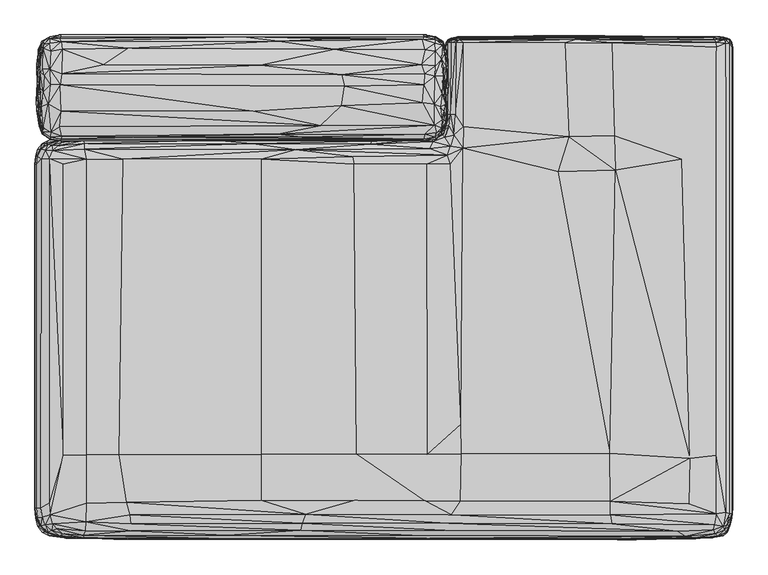
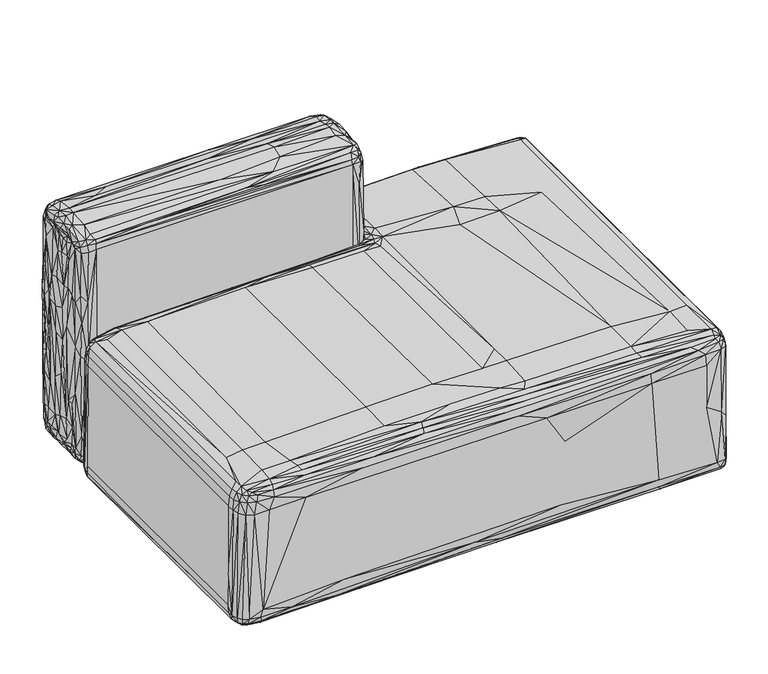
"""IFC4 building model written with IfcOpenShell, lengths in millimetres: furniture geometry."""

from ifc_helpers import new_model, si_unit, origin, place, context, project, spatial, triangles, source, transform, mapped, element, save


def furniture_d46eb888(model_context):
    return source(origin(), model_context, "Body", "Tessellation", [
        triangles([(55.6545017, -775.5081871, 2.74e-05), (155.654289, -775.5081871, 2.74e-05), (155.654289, -875.5081879, 3.7e-05), (155.654289, -875.5081879, 10.000038), (155.654289, -775.5081871, 10.0000289), (55.6545017, -775.5081871, 10.0000289), (55.6545017, -875.5081879, 10.000038), (55.6545017, -875.5081879, 3.7e-05), (55.7830095, -35.4992798, -3.7e-05), (155.7827332, -35.4992798, -3.7e-05), (155.7827332, -135.4992783, -2.74e-05), (155.7827332, -135.4992783, 9.9999733), (155.7827332, -35.4992798, 9.9999642), (55.7830095, -35.4992798, 9.9999642), (55.7830095, -135.4992783, -2.74e-05), (55.7830095, -135.4992783, 9.9999733), (1283.9502628, -135.4992783, -2.17e-05), (1183.9505527, -135.4992783, -2.17e-05), (1183.9505527, -35.4992798, -3.7e-05), (1183.9505527, -35.4992798, 9.9999631), (1183.9505527, -135.4992783, 9.999979), (1283.9502628, -135.4992783, 9.999979), (1283.9502628, -876.0717436, 3.93e-05), (1183.9505527, -876.0717436, 3.93e-05), (1183.9505527, -776.0717428, 2.41e-05), (1183.9505527, -776.0717428, 10.0000244), (1183.9505527, -876.0717436, 10.0000391), (1283.9502628, -876.0717436, 10.0000391), (1283.9502628, -776.0717428, 2.41e-05), (1283.9502628, -776.0717428, 10.0000244), (1283.9502628, -35.4992798, -3.7e-05), (1283.9502628, -35.4992798, 9.9999631)], [[1, 2, 3], [4, 5, 6], [6, 7, 4], [3, 8, 1], [9, 10, 11], [12, 13, 14], [11, 15, 9], [14, 16, 12], [17, 18, 19], [20, 21, 22], [23, 24, 25], [26, 27, 28], [25, 29, 23], [28, 30, 26], [19, 31, 17], [22, 32, 20], [7, 6, 1], [2, 1, 6], [15, 11, 12], [13, 12, 11], [5, 4, 3], [8, 3, 4], [16, 14, 9], [10, 9, 14], [27, 26, 25], [29, 25, 26], [18, 17, 22], [32, 22, 17], [21, 20, 19], [31, 19, 20], [30, 28, 23], [24, 23, 28], [6, 5, 2], [3, 2, 5], [1, 8, 7], [4, 7, 8], [14, 13, 10], [11, 10, 13], [9, 15, 16], [12, 16, 15], [26, 30, 29], [23, 29, 30], [19, 18, 21], [22, 21, 18], [28, 27, 24], [25, 24, 27], [20, 32, 31], [17, 31, 32]]),
        triangles([(166.64368, -235.2945587, 404.5875137), (159.8866433, -793.9164385, 404.731582), (428.3091399, -794.2048656, 410.0485176), (58.4040659, -896.4719519, 9.4881682), (119.468489, -244.5284609, 9.6935535), (483.8524429, -896.2827192, 11.676849), (1320.3105434, -20.6981961, 44.8885709), (1320.9102161, -22.8630644, 342.1680679), (1320.9110882, -895.9448038, 67.2231815), (860.3990084, -953.8596554, 77.7773656), (871.2264725, -953.8679398, 253.0003457), (296.2096995, -953.9985277, 245.7828356), (533.9795431, -196.0426668, 53.0891423), (242.0416214, -194.7885827, 47.2879294), (539.9601737, -195.8521079, 363.4527426), (478.7861097, -245.3046671, 11.6570215), (1320.9137043, -896.1479164, 341.7325931), (428.4176725, -235.4785227, 409.8327241), (809.902018, -214.1620913, 407.427711), (806.6652969, -736.5256102, 407.5969957), (989.811894, -259.3100804, 406.8446797), (1289.126255, -3.6859266, 364.0281072), (1293.1408356, -3.4833604, 48.9942342), (1038.1311831, -1.8490307, 59.4680907), (48.8914016, -0.0005417, 629.4656479), (737.4612362, -0.0034623, 452.0541295), (737.6844057, -0.0284665, 37.3742085), (736.9209349, -200.3082131, 629.0927055), (50.3813407, -200.3648048, 37.6771674), (737.8252401, -200.3786121, 37.4879416), (51.307238, -200.3560844, 235.3796189), (50.1804717, -0.0036113, 432.2646034), (1023.8933167, -262.02167, 9.8229378), (761.3198816, -896.0485039, 11.3645532), (822.7545038, -221.4497097, 11.11029), (1025.9725502, -193.4257843, 7.2644497), (811.8882339, -189.9030524, 11.8968381), (814.3303087, -15.0213885, 12.4018786), (182.7498735, -194.5857244, 341.431594), (0.058509, -244.6367392, 57.784904), (0.7754336, -896.05112, 151.4831682), (0.9478102, -245.1945539, 341.8079155), (0.8927356, -896.1096193, 340.5963979), (281.4492996, -954.1291883, 69.7362094), (778.1893461, -89.2612758, 58.4140489), (778.2136906, -87.4414287, 362.5590108), (778.2049702, -22.6108791, 362.3691605), (1003.2641253, -15.2168321, 409.3750485), (810.8492712, -15.167957, 406.214522), (811.0472242, -173.4201741, 406.8529278), (1011.680036, -1.8950753, 363.3633585), (778.5526234, -14.8413236, 74.8203513), (540.5614451, -171.6980408, 660.6582933), (413.118243, -144.5558749, 666.54478), (49.6488, -144.0660792, 665.0941418), (780.3865957, -90.6875968, 477.2374397), (777.0992237, -94.1978022, 573.7483003), (776.1960812, -113.110347, 581.9501616), (47.3776813, -174.0209913, 658.3221714), (8.1449522, -172.5944069, 351.147171), (3.2683382, -142.2151747, 390.2121557), (5.5862438, -144.8460279, 182.0126365), (292.9913458, -27.8292061, 8.4122454), (575.0901878, -27.558331, 9.0811556), (179.8461082, -172.6538691, 10.5481729), (11.5307347, -43.9286004, 100.6354362), (7.1512827, -81.089518, 103.1456754), (5.7735217, -60.8666018, 184.3677435), (778.1648563, -33.5903211, 235.0796554), (781.093166, -59.2585241, 210.5471957), (780.4573763, -51.2907555, 102.1867132), (737.0808815, -144.1120611, 11.6451967), (502.6730238, -938.0542974, 395.7855437), (364.1410363, -947.6617052, 384.681534), (713.6424866, -947.4572119, 385.7585032), (1098.6556137, -256.3361886, 405.7310122), (1088.1138153, -792.2649405, 406.1092595), (1239.4330673, -802.2848957, 401.262317), (13.7673987, -12.3711278, 345.6280312), (14.2395866, -12.5389149, 214.2609043), (6.530739, -27.8292947, 259.1362538), (426.5216763, -56.9599317, 666.144441), (129.93095, -56.2493873, 666.2176924), (50.2928286, -73.4955911, 669.0729687), (780.2310093, -151.8091022, 190.6201962), (778.2830904, -173.2471105, 212.526944), (774.7647005, -169.948293, 76.0021423), (771.2747246, -120.9758643, 23.5122572), (757.645542, -141.4128073, 15.2597335), (756.8024975, -93.9654854, 14.2686558), (767.8566919, -135.8677515, 655.6689903), (770.3563213, -112.6113404, 657.9346224), (756.6538874, -131.521923, 664.5500616), (567.6451481, -26.7907725, 657.3943211), (176.531285, -25.0899543, 656.9892586), (10.4082003, -132.2550632, 582.9652885), (6.5362227, -113.110347, 584.0265973), (6.8428883, -121.6025793, 494.9071461), (6.0912144, -67.2589169, 492.8518936), (10.463811, -63.8833871, 621.6550055), (9.8024971, -36.6334675, 582.3735732), (620.6433666, -913.8999578, 13.0747856), (485.4341051, -929.8760902, 15.7988767), (61.3267209, -930.0054428, 12.6502612), (1310.5310532, -16.4562811, 13.1697993), (1310.5218967, -906.9585937, 13.2189345), (1303.7518158, -897.5930317, 10.304205), (8.7373624, -216.9285285, 339.9074138), (20.6253899, -206.0549735, 336.8585446), (13.7830749, -205.5703556, 41.6303623), (53.4206401, -244.851697, 398.6103713), (53.7257541, -796.2792303, 398.7036432), (97.0117838, -234.7965331, 404.3603837), (11.5112432, -235.6056407, 384.4409237), (11.3830931, -895.5486071, 384.4114923), (27.0832556, -885.9911236, 394.0873189), (182.6837801, -925.6434271, 397.4153134), (181.4699008, -939.2304611, 391.9081641), (635.9021009, -207.1435153, 399.1091417), (411.8270791, -205.6329244, 398.0125154), (493.3334049, -216.9811598, 406.2427543), (786.7162239, -150.3319576, 396.8008524), (796.3909241, -150.1453593, 403.3888587), (796.9386377, -15.199875, 402.6466438), (534.4964447, -230.4779922, 12.8930516), (63.7287863, -215.2263069, 12.8277292), (620.271805, -217.5208616, 16.1929013), (796.7379959, -148.7831877, 15.6229699), (786.9916431, -149.6958863, 22.3715315), (788.0245016, -15.1134784, 22.905674), (1294.8167507, -948.9026905, 185.9966957), (1308.9045536, -941.7446972, 167.9726323), (1308.6952641, -942.2676304, 364.448503), (1216.1993111, -940.3646942, 391.2499194), (776.3936708, -938.4594326, 394.2023555), (1021.7543484, -5.0818675, 398.303486), (1024.3433619, -8.4794811, 405.5340766), (1286.1704762, -8.835619, 395.813122), (1289.7458393, -23.5106402, 399.0042063), (1224.4252625, -234.8464756, 402.1136822), (21.0445889, -942.098382, 334.5409172), (13.5571133, -941.7516735, 41.9637903), (26.7991795, -948.7519003, 41.8035621), (4.3301355, -906.956341, 23.28034), (4.2798291, -236.1162563, 23.2819978), (11.9440327, -907.5984529, 15.5799697), (11.9209657, -235.412066, 15.5774853), (26.7962591, -199.5280827, 41.7926843), (776.7469923, -82.470057, 102.3852204), (778.2011913, -63.3255497, 101.8297855), (781.8471897, -145.9696421, 375.3354838), (781.4485949, -134.9220697, 499.7107773), (778.5000103, -170.5290533, 509.7036993), (16.5576705, -188.1709816, 105.5656857), (28.6024579, -197.3107216, 44.0292393), (29.7059198, -197.278547, 313.0237713), (16.6982779, -77.31741, 23.6542702), (28.369403, -61.6819318, 14.1889186), (27.8789169, -93.9657851, 16.0701253), (759.2364332, -3.0564719, 199.0426653), (771.3725384, -12.3337857, 329.1054932), (770.7779526, -12.2216695, 49.8494055), (770.1471045, -46.2755593, 652.7010029), (758.6481697, -30.9211368, 659.2450075), (757.9777891, -58.3101854, 663.7769983), (325.7166012, -941.8681635, 19.9742146), (691.9124176, -941.6643242, 22.987271), (703.4057568, -948.9446211, 34.3573664), (1303.5215973, -948.5011889, 48.6052), (773.424012, -187.920797, 419.2563495), (756.5849962, -197.2600525, 564.2468453), (759.2475517, -197.3216403, 313.5882354), (756.784548, -170.5916948, 659.5510208), (770.6892952, -160.164933, 653.0410257), (771.2708004, -40.1961838, 22.2112692), (769.4485279, -64.4933654, 22.9335429), (757.1324919, -60.3762021, 15.9304343), (756.7235779, -3.1046323, 40.6294377), (28.949775, -3.0661873, 394.7021796), (14.9370209, -64.4933654, 23.9015071), (1283.8146606, -217.0867129, 9.5037957), (1303.8821857, -15.3709107, 10.6942419), (1032.6300653, -15.0912164, 7.4786065), (8.9368591, -929.8694773, 336.7551716), (5.7591569, -930.3873236, 41.1523573), (19.7351939, -927.6171438, 383.6718573), (12.2730506, -929.8903336, 367.6783204), (25.3929268, -941.5458721, 368.0947557), (765.6553728, -182.3296593, 57.7228984), (753.0715479, -190.1149036, 58.0901497), (752.9310768, -190.1724946, 362.8511078), (793.0162027, -189.8973297, 14.3084948), (775.8666681, -193.4759993, 19.1001218), (783.4121378, -173.17395, 21.4387168), (783.4120651, -173.1737683, 398.019855), (775.8667408, -193.4758903, 400.5879759), (793.0303007, -189.8197908, 404.855993), (773.1101503, -169.5296049, 362.300233), (776.9608601, -152.0292287, 362.6711406), (776.9203102, -152.0102709, 57.9777247), (637.7108568, -200.9922738, 387.8171711), (340.3765348, -198.9597852, 385.6373623), (33.9979907, -218.892671, 392.1039734), (27.4854067, -234.2478202, 394.2096951), (16.1483659, -938.3313881, 25.5137997), (265.0161093, -949.4525843, 28.1915023), (1314.4188972, -907.0053932, 384.2685505), (1314.4686035, -16.3730729, 384.2316341), (1307.5489677, -16.0865533, 393.5814995), (1282.9943619, -5.4675987, 389.2371426), (11.0618248, -45.8580884, 640.1935541), (9.7863451, -70.3672119, 643.3303539), (15.1889098, -64.4935425, 656.1151114), (15.4214277, -12.5367688, 621.9172714), (27.7516014, -3.1017118, 627.554936), (757.0577145, -77.9267478, 666.1985075), (772.2789511, -77.3175917, 656.5147236), (777.1295998, -40.1962474, 577.7121935), (779.5440599, -63.3052338, 579.0570605), (782.438796, -56.4249216, 478.9634972), (13.672687, -188.1203669, 331.234542), (15.5815253, -176.0298077, 648.9597342), (30.2709107, -184.2515624, 653.4913616), (25.2477889, -130.5554667, 663.9579466), (512.4461191, -907.6327532, 406.0939988), (427.9870302, -881.1471605, 408.0601942), (173.5682573, -885.3676151, 403.1488661), (1089.713645, -883.1896231, 404.3165274), (1089.2145475, -908.7477287, 401.6667618), (1290.2078751, -906.5841253, 397.8371264), (16.2042151, -160.1652055, 24.2164293), (16.8947355, -126.2220557, 23.7499357), (29.3245682, -132.2520474, 14.0177581), (5.0168404, -113.7611702, 240.2711626), (9.819067, -101.2033339, 111.7785424), (5.7248243, -134.8992423, 124.9964492), (12.7261048, -149.7313766, 630.0411942), (12.7924457, -130.7266772, 636.0185183), (8.6367497, -132.2550632, 622.7482527), (15.7631412, -107.3867229, 658.341865), (17.7680618, -77.3175917, 657.7392855), (284.512521, -205.1491058, 19.6074832), (629.2602825, -207.1914775, 22.8562584), (16.1483659, -208.6800676, 25.5137429), (26.7910132, -209.2401897, 18.5501793), (15.8014065, -218.7662797, 17.9370104), (1285.8161373, -927.4869919, 394.8085321), (1318.9148438, -905.6373808, 368.3433598), (1319.0237034, -22.8430983, 368.377333), (770.7154564, -160.165042, 24.6590531), (772.2080978, -187.9988627, 115.9249735), (771.4332905, -187.7594151, 325.8001353), (3.5247576, -244.8520967, 367.9898566), (3.5173666, -895.9103582, 367.9069765), (19.7351939, -217.9406761, 383.6964924), (12.2730506, -216.701889, 368.4348876), (1301.2614155, -929.3509769, 14.2890704), (1310.5439884, -928.6845932, 18.2543454), (1307.7707565, -938.3313154, 22.2217654), (1319.1953499, -914.8932838, 48.4490413), (1314.9415398, -929.3631128, 175.8657733), (1315.7555889, -929.9117712, 46.3419887), (4.8606766, -93.9658396, 502.1894777), (5.5497061, -87.3737457, 415.366725), (4.8829687, -86.9178414, 215.7870466), (1318.7006126, -14.006769, 362.4656662), (1319.1901176, -13.5817575, 48.2527369), (1315.6096676, -8.5110119, 45.2158765), (1314.7217857, -16.2698679, 18.7538153), (1314.7062344, -907.2338676, 18.7798346), (769.2404011, -175.6233644, 647.5152729), (780.0680105, -132.2548543, 581.7613286), (775.4025249, -159.1122901, 615.8358839), (801.6626953, -3.4861318, 57.2487131), (787.6086113, -5.84588, 57.6327149), (787.6958153, -5.8208759, 362.7317837), (782.3550076, -15.0533076, 34.0581773), (634.3612066, -197.2265335, 363.5483399), (725.0763817, -194.0467675, 363.184227), (724.7010412, -194.003111, 58.4350733), (747.214856, -214.9157699, 405.3350698), (753.8769493, -202.1982685, 398.6598232), (95.1360262, -938.7888456, 393.643814), (96.228574, -921.9868916, 399.6447195), (33.3387036, -925.430068, 391.1876412), (97.1820132, -795.615172, 404.527343), (802.0269899, -3.4550183, 362.774877), (787.7486464, -15.0397172, 396.111941), (782.1710798, -14.9760594, 385.0746786), (780.8906347, -149.9186289, 385.3413411), (754.9198362, -194.298896, 33.5057628), (634.1250292, -200.8886101, 33.4472112), (333.9627912, -6.710445, 17.2602905), (49.9987968, -2.8778664, 23.838341), (737.8524187, -2.999311, 24.7836912), (15.4604083, -23.3796594, 26.5335344), (28.9454829, -6.564384, 24.858623), (27.066923, -17.432784, 17.7926458), (1140.9997587, -895.7475775, 8.3460283), (1137.330942, -930.660272, 13.5753614), (745.1561153, -929.6471071, 16.0080322), (781.7280109, -88.4655031, 226.2929642), (779.9380766, -152.5849269, 108.0825198), (776.7693747, -132.2546453, 101.8219099), (17.7746781, -17.904704, 641.7283442), (49.9939097, -12.7585883, 654.8672224), (460.8395308, -11.9389345, 654.4246622), (392.6512147, -3.0239575, 642.6592466), (742.0151007, -794.2407646, 409.6863304), (741.1209692, -244.9482935, 409.574782), (604.2414608, -244.8428131, 410.9529319), (561.7320279, -9.5974259, 16.8767156), (755.8785713, -15.8447383, 17.7291913), (758.1838812, -9.9245657, 21.2057278), (769.9197201, -21.4178923, 26.1298368), (769.866235, -12.0216658, 618.8451479), (772.3096178, -12.3709189, 501.7395779), (758.7376991, -3.0749193, 396.9290786), (782.0055376, -55.6544109, 342.389675), (780.6836706, -37.945306, 295.6053577), (777.9194498, -29.212779, 420.0302485), (1310.7234833, -927.8402407, 383.6257482), (1319.0793686, -915.0246712, 339.0769775), (28.2732606, -169.4401845, 13.9621224), (29.0058036, -189.6763221, 20.9760112), (14.3548617, -175.623419, 27.9277943), (423.6618218, -196.7147733, 23.5640822), (47.5475565, -193.3169247, 19.85316), (53.9064162, -187.7613772, 14.6050837), (15.8242351, -188.0227348, 622.142621), (14.9321327, -187.9903421, 502.0239718), (27.5796415, -197.2282594, 486.475357), (8.1398857, -159.7013894, 486.4002889), (773.3887671, -55.6545608, 37.639429), (777.4936037, -28.8370593, 107.2901172), (18.2005538, -15.4628802, 35.2264427), (9.381927, -44.2543981, 60.0613003), (8.1782112, -63.3257858, 61.6248904), (586.123635, -96.8159291, 668.8886776), (48.191944, -94.479898, 669.8490841), (735.4009695, -98.143646, 14.0078137), (736.6300369, -172.5424842, 12.4269929), (502.2070275, -188.1678204, 15.4988814), (47.2557911, -948.5216091, 367.5652096), (53.0215865, -944.3292051, 382.533373), (32.2228447, -938.1528379, 383.3966197), (61.6914425, -953.0865921, 59.9644766), (78.3683996, -953.1408039, 336.3113033), (40.9803747, -949.4325274, 333.1309015), (13.3450396, -135.8679059, 657.2068325), (28.710282, -93.9659032, 667.4450884), (805.6548208, -883.5283379, 405.8862353), (788.9684847, -908.3707895, 403.6490172), (770.159749, -188.2118402, 622.6600313), (1143.6887661, -15.1774938, 7.0678718), (1045.7060841, -8.1678682, 11.1602676), (1040.597893, -4.1599029, 21.7997754), (1305.5646412, -6.1250979, 21.0283154), (735.821438, -197.4331524, 641.5771179), (738.5261421, -188.1052697, 654.6649818), (505.2847466, -193.2196741, 649.824507), (759.9039797, -184.8983615, 652.4737638), (757.2756517, -193.9995139, 641.3615061), (769.5589863, -181.4883408, 642.082247), (747.1833899, -952.9171257, 368.7837035), (1252.4813988, -953.1364437, 216.6433897), (1280.1616859, -952.2732697, 49.8625269), (40.8666507, -199.4088312, 335.7884428), (81.6713957, -196.4296163, 362.5176979), (61.3919876, -195.7449924, 59.9654486), (44.3908951, -210.0460271, 389.0618626), (93.5907717, -206.3067932, 394.9136493), (91.9381745, -199.9995292, 385.1989806), (59.4852317, -914.3853207, 10.2682391), (9.0465914, -927.7845028, 24.665146), (725.9171734, -198.0513196, 387.0458519), (765.5510187, -182.4495285, 362.8753796), (769.0416487, -186.0971256, 387.1201206), (776.9579533, -171.4980349, 386.4841493), (1011.2032482, -192.3156777, 409.5642448), (1096.5529804, -190.9550776, 407.6388173), (1092.0199722, -15.0386749, 407.368594), (1314.3526222, -8.6375525, 364.8474249), (9.7010498, -173.2388806, 64.1766832), (8.8076366, -171.9938258, 216.6018951), (7.8925858, -160.165042, 180.6007133), (10.7341184, -132.2549724, 62.7406971), (9.9547283, -153.2101431, 63.0885547), (10.7124218, -155.9967826, 110.2231776), (813.3042086, -8.6723915, 16.4963416), (792.8201391, -9.1051514, 22.8819427), (786.2765705, -8.0372445, 35.8221276), (799.1265129, -5.8133954, 28.8104031), (49.5054494, -85.2900338, 12.9674838), (733.9691528, -7.9987402, 651.1705004), (736.3355055, -3.0960195, 643.0296455), (756.5474258, -3.0749193, 628.8461363), (756.9351202, -7.8212375, 644.9365059), (772.716061, -15.4627019, 635.741791), (781.3872614, -71.9458402, 464.3916032), (782.4158323, -77.7749039, 342.169158), (783.0833061, -95.0084722, 425.754245), (790.1847622, -9.3131119, 393.497166), (803.3002407, -8.7642128, 401.4938436), (804.4500252, -6.0487144, 395.1703923), (12.6171475, -116.6536354, 37.8348727), (12.2816336, -84.9242131, 56.5863398), (10.022677, -82.5331708, 36.5291656), (1312.8944263, -935.4329458, 30.6256288), (1318.0390251, -906.5839073, 28.0839621), (1318.072744, -16.5710202, 28.061087), (1320.161134, -895.9688576, 43.45754), (1131.540307, -943.142359, 21.1780814), (1123.9877884, -950.4384253, 33.5498054), (775.4830433, -80.2263894, 44.248798), (775.3568882, -93.9656307, 37.7726081), (769.7267813, -93.9657851, 23.2108561), (776.8835392, -118.9616159, 36.274471), (775.4552834, -158.5833435, 39.0051092), (775.9874456, -93.9657488, 624.4376844), (777.7893705, -129.443834, 635.8825527), (774.8059044, -63.3254861, 643.1611055), (778.0408813, -59.2168797, 635.7999269), (6.3977012, -40.1961566, 499.2342075), (5.8127414, -55.119042, 443.7642649), (15.7795317, -12.3709791, 502.6052954), (786.95291, -210.1334128, 13.2733813), (744.0045868, -214.9060139, 15.6703984), (756.4586231, -201.3981175, 21.610377), (724.8170225, -198.0512469, 34.0964767), (627.3399782, -197.3300882, 56.2611371), (9.0465914, -217.9405852, 24.6650824), (5.7857405, -215.787083, 40.6802022), (1.6737352, -229.0378366, 40.0803842), (2.8941999, -230.3742376, 341.5819845), (1.7232667, -914.7039059, 39.7750658), (773.1777334, -169.3421708, 58.0850674), (776.9579533, -171.498162, 33.3708919), (769.0416487, -186.0971619, 33.0030455), (10.6975211, -113.1104378, 624.3381992), (8.0688366, -93.9658396, 637.5128311), (6.97378, -93.5338711, 575.5742426), (9.9557411, -157.1211871, 637.6471979), (11.2504136, -168.9929189, 626.7054239), (50.1215818, -197.3630622, 643.726042), (185.7914393, -193.7475307, 650.7668186), (14.5224103, -184.5648427, 637.7032265), (28.6248107, -193.4159739, 642.8798), (629.2034546, -952.5085751, 51.274641), (1122.1144289, -954.8095247, 56.9766458), (12.2378238, -63.3255497, 37.0080631), (12.2137439, -37.06101, 43.0107649), (1302.8762878, -930.9313311, 390.5605356), (1307.5927151, -904.0923443, 393.4270758), (1289.5656178, -795.9836815, 399.1047452), (3.0076871, -915.0736507, 337.8159353), (7.4841748, -29.2352499, 411.336048), (7.2905195, -40.1962474, 261.1595315), (3.6259066, -55.5644091, 330.8885965), (4.2589674, -90.3445127, 346.1817401), (3.2135021, -63.231878, 423.4260804), (1306.8524986, -8.8435463, 14.9369085), (1314.0004635, -9.2194131, 24.6522607), (1304.2875389, -4.3965629, 32.3780496), (757.9261934, -197.1024676, 38.9053424), (757.4419207, -194.1736493, 25.9139819), (770.2584349, -183.5136168, 31.9155914), (329.3637623, -953.1618055, 368.1047842), (92.5538891, -952.3960093, 368.4002967), (28.4743089, -15.462761, 652.6774578), (28.4430154, -7.2346976, 644.3655378), (27.9634367, -64.6168816, 664.2652679), (29.7252318, -30.9212253, 658.4351732), (16.0200966, -24.7798919, 647.5217405), (1314.3674469, -929.9502863, 364.5897008), (1293.172229, -949.3283186, 365.2529597), (1305.3352947, -938.3746994, 383.637775), (54.553011, -234.187159, 9.7391925), (25.1409186, -235.3582902, 11.3381127), (27.3661394, -217.9404762, 14.1984849), (1289.1681129, -13.7155407, 398.0707603), (775.6637735, -229.0522435, 12.0982384), (738.8700165, -881.8993675, 407.7742015), (604.7693356, -881.6793228, 408.9987997), (609.1477384, -793.6400745, 411.1158216), (774.2046329, -28.7986759, 628.0745264), (778.0786697, -27.8294128, 573.690673), (67.7191995, -199.3824338, 24.9254431), (754.9199816, -194.2987325, 387.1515867), (601.704261, -230.3429169, 409.7669578), (781.216923, -227.2572041, 407.5911821), (774.2948891, -160.1651329, 638.4442423), (93.61825, -216.5947735, 400.0385181), (782.9104242, -924.9242849, 400.0565766), (780.6753136, -129.239486, 369.4570636), (782.0830765, -112.0931035, 223.365781), (780.0676472, -102.2123839, 109.543468), (47.2557911, -200.2458441, 368.3204324), (53.0215865, -203.0769394, 382.6620352), (25.3929268, -206.4242642, 368.9454669), (49.3421327, -122.3855439, 10.9212163), (50.0656123, -172.9410427, 11.9468226), (776.5831215, -35.6177751, 44.5435384), (122.1310264, -7.5365954, 17.0185753), (130.9367207, -27.8293242, 10.4251858), (50.4956596, -27.8295331, 13.2551673), (49.9406245, -9.0880746, 17.2590131), (11.0830433, -144.7066197, 36.4881616), (29.1045666, -908.9937893, 393.6640526), (13.4860046, -913.2773214, 384.25874), (1139.4248549, -914.189039, 9.6094005), (27.7968407, -944.713266, 25.2540817), (28.5793307, -938.3313881, 18.4114795), (60.1037532, -941.3968987, 17.3098037), (27.3661394, -927.7845028, 14.1985429), (736.0680073, -13.1839563, 14.3450694), (737.3321016, -56.2491466, 13.6200353), (781.1558075, -149.6288574, 33.6603659), (779.5145559, -15.0444555, 51.0059482), (140.5882573, -953.0554893, 39.8397875), (4.4836769, -118.8330445, 430.6663725), (6.4539682, -144.706765, 499.4444418), (1133.4487661, -190.8342638, 6.465336), (1135.1521505, -255.0511834, 8.1636533), (776.288372, -173.0843297, 609.4860535), (580.1149175, -75.6329516, 667.8784195), (732.211484, -56.1168554, 667.2539663), (10.843791, -27.8295331, 101.2246081), (8.0951818, -29.1949862, 196.533716), (11.1309067, -29.0854317, 52.3012634), (1231.1354633, -949.0146023, 382.6468472), (15.2155525, -93.9658669, 24.3389077), (775.0626474, -49.3185285, 56.8459533), (777.9731529, -82.4701387, 62.4884914), (774.7294556, -63.3255497, 61.7210827), (777.0875965, -165.1692787, 634.0230005), (25.2706187, -908.8169106, 11.4808229), (96.6918815, -886.6607775, 403.1805139), (780.3256256, -27.8292357, 339.0174245), (1308.8939438, -7.701998, 384.2670608), (733.2760265, -127.9352415, 668.662674), (580.6777102, -134.3017315, 666.5497215), (776.7121834, -132.8817691, 51.063462), (12.9801999, -70.0126824, 632.9417439), (9.437121, -93.9659941, 623.6042324), (12.7166282, -161.5740222, 630.3500416), (7.4781546, -144.7065561, 578.8425387), (0.7237564, -737.9651299, 37.1590236), (10.3654034, -30.2382456, 626.6121157), (738.6280254, -27.8292947, 660.7574152), (1310.8586494, -941.7821222, 48.6976317), (1306.262709, -944.7131933, 31.108639), (771.1300386, -19.1602472, 642.1000511), (29.8332944, -3.0942314, 179.5250158), (50.0263342, -0.0036113, 37.5906584), (734.3321394, -197.1652908, 21.7197294), (757.9882536, -189.498971, 19.3485215), (735.7023319, -193.8085917, 17.6072272), (5.711771, -914.6219341, 367.5593596), (58.33081, -206.205037, 17.2725206), (59.6913465, -196.8558257, 38.0662334), (27.7968407, -203.0770484, 25.2540022), (50.6241674, -191.7309023, 652.038616), (725.2018101, -204.6037903, 22.5990861), (8.6920629, -171.8626202, 476.0392934), (813.3819654, -5.1730031, 25.599632), (10.2760568, -54.2394446, 48.3362484), (8.9916954, -55.6547106, 38.0329574), (780.8032854, -113.110347, 501.2987981), (1284.9993267, -937.3699642, 391.1669666), (1288.3027588, -944.6073858, 384.222187), (774.8790104, -113.110347, 643.3991724), (772.9416286, -84.0003142, 644.8727016), (797.507571, -15.1003955, 16.1744227), (777.0595459, -131.4938179, 643.1651024), (774.6519894, -144.7064652, 641.8938137), (787.0343004, -210.2784076, 406.0683463), (1102.3487022, -955.8785002, 338.7050526), (1101.9531595, -954.3479977, 366.3972576), (16.0185467, -183.6788684, 30.9317693), (28.5163894, -194.1736493, 26.21913), (48.0738643, -197.1618027, 24.5354937), (782.0239958, -8.649593, 362.1048961), (779.4924643, -13.6569494, 364.4898159), (1303.9483154, -8.7012403, 391.3657554), (0.7237564, -895.971183, 37.1590395), (8.0062519, -27.8296512, 496.1077632), (9.8359356, -27.8296512, 344.7885839), (46.9483516, -7.0386579, 649.0844358), (8.1894767, -99.9604592, 59.4792183), (10.974086, -115.6708102, 46.5347777), (50.1572855, -56.2491783, 10.8802554), (505.9828508, -924.5330297, 402.0422476), (781.9661505, -8.6931041, 58.3202592), (737.4124746, -6.8329626, 19.6341191), (775.8627439, -245.2884436, 11.2842744), (780.5221979, -63.3256087, 421.6692109), (12.3939292, -132.2550905, 644.0844503), (9.7398533, -102.0338973, 644.368154), (777.0591825, -143.6581372, 50.2636425), (1250.0401234, -952.6065342, 366.9889003), (775.1873491, -132.2547907, 621.9917582), (778.1256872, -149.3632032, 630.7856255), (771.2099756, -77.3172647, 22.4296811), (51.9080552, -27.1995412, 660.000412), (772.5438332, -15.4628212, 33.5836718), (757.4690992, -6.1875039, 26.4993523), (1308.7070366, -5.8537477, 366.3266951), (1310.5547436, -5.7933981, 32.6507437), (5.711771, -229.9031908, 368.1277479), (768.698283, -175.6232191, 26.5515997), (774.5551203, -167.588517, 46.7990829), (737.1435957, -73.1950644, 667.3706017), (736.7715981, -93.9657488, 671.5983232), (10.646559, -165.8714888, 42.4924826), (14.5733724, -187.9903785, 47.6919381), (459.7141997, -188.3178113, 654.3069368), (776.6348625, -63.3254861, 36.979581), (776.0632404, -56.9272574, 49.2154734), (193.8464345, -195.6326991, 367.6141165), (775.287343, -35.5136458, 635.6588745), (807.9020674, -793.2167719, 407.9882509), (16.7590152, -40.1961838, 22.97189), (17.5319683, -930.48521, 18.5381558), (59.2775137, -948.2382689, 24.8827835), (55.8524502, -951.4645254, 38.4303123), (1302.705368, -913.8129719, 11.1223521), (775.0779808, -113.1102289, 60.9890099), (774.8529945, -93.9656307, 62.4039262), (778.3306166, -93.9658669, 48.725873), (29.8737057, -197.3234571, 625.561017), (49.3547091, -200.3867148, 629.0124052), (757.3996994, -15.4627019, 652.1902056), (1291.9619831, -948.2017159, 30.9328003), (32.2228447, -208.6805037, 383.4284492), (780.5737936, -130.9554423, 246.4057264), (91.7306291, -947.3480616, 385.0437939), (41.8931596, -935.0898708, 388.4346116), (48.6350446, -3.113156, 642.8255156), (735.5548845, 0.0005312, 629.2224941), (780.7153547, -162.2860608, 422.4712332), (775.5923389, -169.4401299, 628.5239902), (759.8766558, -197.2653029, 628.6130836), (777.6010826, -40.1962474, 499.3201761), (776.505946, -27.8294128, 496.0121295), (778.7188196, -82.4702659, 624.0156898), (786.2746811, -8.0363804, 383.9085071), (1092.6984192, -926.005905, 397.9629908), (180.0092159, -908.7725092, 400.8762577), (2.1002065, -124.9905993, 344.580239), (757.1962961, -169.4400391, 17.0625089), (786.8399809, -244.7325545, 408.1176398), (11.9564899, -144.7066197, 47.3959397), (562.2028204, -7.1323567, 650.0657713), (1238.0119331, -887.555999, 400.2956609), (1298.1146599, -941.155925, 20.5723885), (775.3906071, -29.3732343, 50.1441549), (822.2447966, -954.6707251, 338.013852), (775.834112, -113.1102289, 47.4112367), (175.6115011, -954.9037777, 339.2213728), (736.9548717, -73.1951507, 11.1521706), (769.0846693, -187.9900878, 48.5149938), (782.5056524, -55.2745104, 256.3889833), (773.3529408, -93.2690344, 640.1748053), (776.9647116, -56.7434387, 623.9947609), (-0.058495, -895.971183, 59.8597229), (803.3750181, -4.456883, 384.5986176), (16.656018, -187.990433, 423.2465492), (16.4268384, -12.2084368, 48.2708227), (27.9150975, -3.0564123, 40.3472193), (1019.2765926, -3.1026952, 386.1907805), (770.0237835, -12.3707406, 420.5251674), (11.1547481, -36.2662729, 632.9844011), (12.760497, -12.3711278, 423.8158095), (0.7237564, -570.3105741, 37.1590123), (1251.0095409, -954.0272324, 335.8723766), (782.2304512, -144.706438, 259.9246686), (0.7237564, -329.6270456, 37.1590055), (0.7237564, -244.8522602, 37.1589828)], [[1, 2, 3], [4, 5, 6], [7, 8, 9], [10, 11, 12], [13, 14, 15], [16, 6, 5], [8, 17, 9], [3, 18, 1], [19, 20, 21], [22, 23, 24], [25, 26, 27], [28, 29, 30], [29, 28, 31], [32, 25, 27], [33, 34, 35], [36, 37, 38], [39, 15, 14], [40, 41, 42], [43, 42, 41], [12, 44, 10], [45, 46, 47], [48, 49, 50], [24, 51, 22], [47, 52, 45], [53, 54, 55], [56, 57, 58], [55, 59, 53], [60, 61, 62], [63, 64, 65], [66, 67, 68], [69, 70, 71], [64, 72, 65], [73, 74, 75], [76, 77, 78], [79, 80, 81], [82, 83, 84], [85, 86, 87], [88, 89, 90], [91, 92, 93], [82, 94, 95], [96, 97, 98], [99, 100, 101], [102, 103, 104], [105, 106, 107], [108, 109, 110], [111, 112, 113], [114, 115, 116], [117, 118, 73], [119, 120, 121], [122, 123, 124], [125, 126, 127], [128, 129, 130], [131, 132, 133], [134, 135, 75], [136, 137, 138], [78, 139, 140], [141, 142, 143], [144, 145, 146], [147, 146, 145], [148, 110, 109], [149, 150, 70], [151, 152, 153], [154, 155, 156], [157, 158, 159], [160, 161, 162], [163, 164, 165], [166, 167, 168], [132, 131, 169], [170, 171, 172], [93, 173, 174], [175, 176, 177], [162, 178, 160], [80, 79, 179], [158, 157, 180], [181, 182, 107], [38, 183, 36], [141, 184, 185], [186, 187, 188], [189, 190, 191], [192, 193, 194], [195, 196, 197], [198, 199, 200], [201, 202, 120], [203, 204, 113], [143, 142, 205], [168, 206, 166], [207, 208, 209], [210, 22, 51], [211, 212, 213], [214, 215, 179], [216, 217, 163], [218, 219, 220], [156, 221, 154], [222, 223, 224], [225, 226, 227], [228, 229, 230], [231, 232, 233], [234, 235, 236], [237, 238, 239], [240, 241, 212], [126, 242, 243], [244, 245, 246], [247, 230, 229], [248, 249, 207], [89, 88, 250], [251, 252, 172], [253, 254, 114], [114, 255, 256], [257, 258, 259], [260, 261, 262], [263, 99, 264], [265, 235, 234], [266, 267, 268], [269, 270, 105], [271, 174, 173], [152, 272, 273], [274, 275, 276], [277, 130, 129], [278, 279, 280], [281, 282, 119], [283, 284, 285], [286, 113, 112], [276, 287, 274], [288, 289, 290], [291, 190, 189], [14, 13, 292], [293, 294, 295], [296, 297, 298], [33, 299, 34], [300, 301, 102], [70, 302, 149], [85, 303, 304], [215, 214, 305], [306, 307, 308], [309, 310, 311], [1, 18, 121], [295, 312, 293], [313, 314, 315], [316, 317, 318], [319, 320, 321], [248, 207, 322], [260, 323, 261], [324, 325, 326], [327, 328, 329], [330, 331, 332], [61, 60, 333], [176, 175, 334], [335, 69, 71], [296, 336, 297], [337, 338, 67], [216, 93, 92], [54, 339, 340], [89, 72, 341], [65, 342, 343], [344, 345, 346], [347, 348, 349], [224, 350, 222], [241, 240, 351], [228, 352, 353], [20, 77, 21], [273, 153, 152], [171, 170, 354], [355, 182, 181], [356, 357, 358], [359, 360, 361], [362, 363, 364], [365, 75, 74], [131, 366, 367], [368, 369, 370], [371, 372, 373], [104, 374, 102], [375, 144, 146], [201, 376, 279], [377, 378, 379], [380, 381, 382], [139, 382, 381], [208, 207, 249], [268, 383, 266], [384, 385, 386], [387, 388, 389], [357, 356, 390], [391, 392, 393], [394, 159, 158], [293, 64, 63], [395, 396, 308], [397, 398, 399], [64, 293, 312], [90, 89, 341], [400, 220, 219], [401, 402, 302], [403, 404, 405], [404, 137, 136], [265, 67, 235], [406, 407, 408], [409, 410, 260], [410, 411, 412], [167, 413, 414], [301, 300, 413], [415, 416, 417], [88, 418, 419], [57, 420, 421], [163, 422, 423], [101, 424, 425], [179, 426, 214], [427, 428, 429], [430, 292, 431], [147, 145, 432], [433, 434, 435], [375, 185, 436], [436, 185, 184], [200, 437, 198], [438, 439, 189], [440, 238, 441], [99, 442, 100], [443, 222, 350], [331, 330, 444], [445, 359, 446], [447, 448, 223], [449, 206, 168], [450, 367, 366], [451, 180, 157], [336, 296, 452], [453, 454, 230], [139, 455, 454], [419, 250, 88], [87, 86, 251], [115, 114, 254], [184, 456, 436], [457, 458, 459], [265, 460, 461], [462, 463, 269], [464, 358, 357], [327, 30, 29], [465, 466, 467], [74, 468, 365], [345, 344, 469], [470, 471, 305], [472, 473, 474], [322, 475, 248], [476, 133, 477], [478, 4, 479], [126, 480, 245], [454, 209, 139], [481, 138, 137], [36, 35, 37], [428, 427, 482], [353, 483, 484], [311, 485, 309], [219, 218, 486], [317, 316, 487], [292, 488, 14], [370, 148, 368], [377, 191, 489], [191, 377, 189], [121, 490, 491], [123, 50, 49], [174, 271, 492], [421, 58, 57], [121, 493, 1], [113, 493, 203], [494, 135, 134], [484, 225, 353], [116, 204, 114], [255, 114, 204], [495, 496, 302], [304, 497, 496], [369, 498, 499], [500, 256, 255], [501, 502, 233], [325, 324, 502], [335, 162, 161], [503, 334, 175], [280, 431, 278], [431, 280, 430], [504, 505, 506], [507, 298, 297], [232, 231, 508], [154, 385, 384], [509, 510, 186], [284, 509, 285], [102, 511, 300], [181, 107, 299], [512, 513, 514], [374, 104, 515], [64, 516, 517], [64, 341, 72], [437, 200, 518], [518, 45, 519], [349, 143, 347], [206, 449, 520], [521, 61, 522], [460, 265, 234], [240, 224, 351], [54, 340, 55], [181, 523, 355], [36, 524, 35], [290, 199, 198], [46, 290, 289], [252, 251, 86], [170, 153, 525], [84, 526, 82], [527, 165, 164], [528, 529, 80], [452, 530, 336], [68, 459, 458], [68, 529, 66], [531, 75, 365], [75, 531, 134], [532, 406, 408], [508, 406, 232], [335, 71, 533], [534, 535, 150], [536, 492, 271], [525, 354, 170], [515, 537, 374], [537, 479, 4], [254, 253, 42], [435, 108, 433], [284, 538, 509], [2, 227, 226], [321, 539, 161], [161, 69, 335], [383, 540, 208], [208, 266, 383], [313, 177, 517], [177, 313, 175], [279, 278, 201], [202, 201, 15], [173, 541, 542], [339, 542, 541], [150, 149, 534], [419, 418, 543], [544, 212, 211], [545, 441, 544], [447, 546, 444], [547, 96, 98], [432, 145, 434], [145, 144, 548], [549, 305, 214], [101, 214, 426], [414, 168, 167], [168, 414, 450], [398, 396, 395], [527, 550, 94], [7, 412, 411], [267, 411, 463], [551, 169, 552], [259, 258, 409], [164, 163, 553], [486, 487, 316], [179, 554, 80], [27, 555, 32], [30, 556, 466], [557, 558, 342], [187, 186, 510], [510, 559, 187], [245, 560, 126], [561, 488, 562], [31, 156, 155], [445, 563, 448], [429, 193, 427], [189, 439, 291], [243, 127, 126], [127, 243, 564], [136, 405, 404], [287, 51, 24], [385, 154, 221], [444, 565, 331], [24, 274, 287], [390, 566, 357], [50, 380, 48], [19, 21, 380], [337, 452, 567], [180, 451, 568], [58, 569, 56], [302, 402, 495], [453, 570, 571], [230, 247, 453], [572, 573, 92], [422, 163, 217], [130, 574, 128], [566, 390, 391], [92, 91, 575], [576, 575, 91], [577, 197, 196], [197, 577, 19], [577, 196, 282], [489, 378, 377], [49, 124, 123], [404, 403, 288], [11, 450, 578], [365, 579, 531], [580, 581, 155], [29, 582, 327], [318, 397, 316], [160, 27, 26], [236, 62, 61], [389, 236, 387], [289, 47, 46], [583, 52, 584], [585, 138, 481], [22, 210, 540], [586, 548, 144], [436, 144, 375], [426, 587, 101], [79, 588, 457], [98, 97, 442], [442, 545, 544], [306, 589, 471], [215, 25, 32], [106, 105, 270], [410, 409, 258], [338, 407, 67], [590, 407, 591], [502, 394, 505], [394, 592, 505], [135, 494, 593], [73, 593, 117], [52, 583, 594], [519, 277, 518], [146, 147, 479], [478, 479, 480], [474, 213, 472], [213, 474, 211], [27, 160, 178], [595, 314, 313], [596, 34, 16], [428, 482, 125], [321, 220, 319], [220, 400, 597], [350, 598, 443], [240, 599, 598], [502, 329, 325], [343, 329, 65], [87, 303, 85], [303, 600, 543], [601, 476, 571], [477, 571, 476], [172, 171, 28], [360, 359, 363], [602, 421, 603], [603, 273, 272], [462, 182, 355], [269, 105, 462], [417, 604, 415], [604, 417, 90], [413, 167, 301], [103, 167, 166], [95, 83, 82], [473, 472, 605], [503, 315, 606], [607, 606, 315], [32, 555, 554], [294, 507, 297], [28, 30, 172], [466, 465, 30], [608, 609, 23], [609, 358, 464], [108, 435, 610], [256, 610, 114], [223, 222, 447], [546, 447, 222], [238, 237, 443], [222, 443, 546], [557, 611, 467], [612, 467, 611], [207, 454, 453], [209, 454, 207], [450, 449, 168], [450, 11, 10], [527, 526, 613], [614, 613, 526], [615, 580, 616], [155, 616, 580], [381, 140, 139], [78, 140, 76], [299, 524, 181], [524, 523, 181], [446, 617, 563], [445, 446, 563], [150, 535, 533], [415, 618, 619], [244, 110, 148], [434, 433, 432], [15, 620, 202], [499, 373, 369], [621, 553, 163], [163, 423, 621], [37, 128, 574], [193, 192, 427], [529, 528, 66], [67, 66, 337], [483, 309, 485], [622, 352, 228], [623, 298, 158], [298, 507, 506], [146, 624, 375], [512, 205, 624], [512, 625, 626], [514, 625, 512], [258, 257, 627], [511, 627, 257], [497, 628, 629], [630, 629, 628], [631, 332, 632], [332, 631, 330], [143, 349, 141], [346, 188, 344], [553, 633, 164], [633, 395, 550], [367, 450, 414], [634, 552, 169], [372, 371, 203], [255, 635, 500], [491, 281, 121], [119, 121, 281], [636, 495, 151], [304, 636, 85], [637, 283, 638], [74, 73, 118], [363, 362, 360], [563, 617, 53], [471, 639, 25], [640, 25, 308], [252, 86, 641], [151, 641, 86], [642, 364, 354], [643, 354, 364], [235, 590, 387], [387, 236, 235], [220, 321, 644], [487, 645, 317], [219, 57, 56], [646, 420, 57], [148, 562, 244], [562, 148, 561], [93, 216, 614], [173, 93, 541], [23, 22, 608], [540, 608, 22], [485, 484, 483], [226, 3, 2], [366, 578, 450], [579, 601, 531], [287, 276, 647], [647, 583, 584], [290, 122, 288], [195, 379, 378], [439, 438, 194], [129, 518, 277], [84, 605, 472], [351, 224, 340], [17, 8, 249], [266, 8, 7], [134, 648, 494], [353, 229, 228], [109, 368, 148], [498, 500, 635], [649, 117, 593], [538, 284, 649], [650, 521, 264], [263, 264, 521], [458, 529, 68], [81, 588, 79], [567, 408, 407], [157, 408, 451], [611, 557, 651], [342, 651, 557], [545, 442, 97], [440, 239, 238], [203, 493, 372], [493, 121, 120], [574, 38, 37], [38, 390, 356], [20, 19, 652], [577, 491, 19], [591, 653, 388], [616, 384, 615], [392, 275, 274], [519, 594, 392], [379, 198, 377], [377, 198, 437], [126, 125, 478], [480, 126, 478], [654, 308, 307], [94, 550, 395], [397, 318, 26], [396, 398, 397], [189, 437, 438], [437, 189, 377], [329, 343, 327], [556, 558, 557], [87, 600, 303], [611, 419, 612], [228, 655, 78], [455, 139, 78], [42, 43, 254], [187, 559, 456], [552, 634, 656], [259, 656, 257], [209, 208, 540], [481, 209, 585], [298, 623, 296], [452, 296, 623], [214, 101, 549], [549, 101, 100], [205, 142, 185], [185, 142, 141], [294, 293, 504], [505, 504, 293], [101, 425, 99], [459, 68, 461], [607, 295, 27], [555, 27, 295], [162, 335, 657], [533, 657, 335], [155, 581, 582], [325, 329, 328], [270, 269, 411], [411, 269, 463], [579, 365, 658], [658, 365, 468], [471, 470, 306], [473, 605, 306], [416, 630, 659], [415, 630, 416], [292, 430, 564], [429, 291, 439], [468, 660, 658], [347, 660, 348], [58, 272, 152], [272, 602, 603], [49, 48, 137], [137, 382, 481], [536, 273, 603], [153, 273, 525], [186, 285, 509], [285, 638, 283], [590, 235, 67], [67, 407, 590], [155, 29, 31], [582, 29, 155], [169, 551, 132], [261, 132, 551], [433, 110, 244], [110, 433, 108], [224, 55, 340], [55, 224, 223], [355, 356, 462], [356, 183, 38], [119, 282, 376], [378, 489, 282], [161, 539, 69], [70, 69, 320], [64, 517, 341], [90, 341, 661], [465, 172, 30], [172, 465, 251], [624, 146, 537], [479, 537, 146], [404, 124, 49], [137, 404, 49], [662, 251, 465], [251, 662, 612], [452, 568, 567], [623, 568, 452], [236, 389, 62], [386, 389, 384], [526, 527, 82], [94, 82, 527], [319, 220, 597], [302, 663, 401], [618, 415, 604], [334, 618, 176], [61, 650, 236], [61, 521, 650], [664, 573, 572], [664, 423, 422], [665, 646, 57], [621, 423, 665], [233, 324, 231], [324, 233, 502], [517, 516, 313], [313, 516, 595], [6, 102, 374], [102, 34, 299], [444, 237, 547], [333, 565, 444], [133, 476, 131], [366, 131, 476], [562, 488, 560], [488, 292, 242], [105, 107, 182], [462, 105, 182], [133, 132, 261], [477, 133, 475], [497, 149, 302], [497, 302, 496], [554, 179, 32], [32, 179, 215], [571, 477, 453], [453, 322, 207], [660, 347, 44], [625, 520, 626], [542, 53, 173], [173, 53, 617], [363, 359, 28], [359, 445, 28], [644, 645, 487], [218, 487, 486], [41, 436, 456], [548, 586, 666], [18, 3, 311], [18, 490, 121], [96, 547, 237], [237, 239, 96], [169, 367, 634], [367, 169, 131], [243, 242, 292], [564, 243, 292], [479, 147, 246], [432, 246, 147], [166, 104, 103], [104, 514, 513], [274, 393, 392], [566, 274, 24], [647, 667, 287], [51, 287, 667], [249, 248, 17], [323, 248, 475], [627, 106, 258], [258, 106, 270], [113, 1, 493], [2, 1, 113], [289, 288, 403], [584, 289, 647], [668, 221, 156], [60, 221, 668], [190, 280, 279], [430, 280, 190], [152, 151, 495], [495, 402, 569], [224, 240, 350], [598, 350, 240], [113, 286, 2], [227, 2, 286], [279, 191, 190], [191, 279, 376], [223, 448, 563], [53, 59, 563], [24, 357, 566], [357, 24, 23], [158, 592, 394], [592, 158, 298], [37, 427, 192], [427, 37, 35], [619, 533, 535], [619, 503, 533], [668, 565, 60], [60, 565, 333], [295, 294, 555], [555, 294, 297], [14, 370, 39], [561, 14, 488], [27, 178, 607], [606, 607, 178], [399, 316, 397], [316, 399, 486], [247, 648, 134], [570, 134, 531], [402, 56, 569], [402, 401, 400], [80, 669, 528], [669, 80, 554], [670, 297, 336], [297, 670, 555], [376, 201, 119], [120, 119, 201], [76, 381, 380], [381, 76, 140], [461, 68, 265], [265, 68, 67], [626, 143, 512], [205, 512, 143], [51, 671, 210], [667, 671, 51], [672, 161, 318], [161, 672, 321], [532, 232, 406], [232, 532, 159], [138, 210, 136], [585, 210, 138], [378, 196, 195], [282, 196, 378], [439, 193, 429], [194, 193, 439], [673, 549, 100], [549, 673, 305], [175, 315, 503], [315, 175, 313], [571, 531, 601], [531, 571, 570], [25, 215, 471], [305, 471, 215], [573, 217, 92], [216, 92, 217], [442, 544, 100], [100, 544, 673], [568, 451, 567], [408, 567, 451], [204, 203, 255], [635, 255, 203], [674, 457, 587], [424, 457, 425], [285, 186, 346], [188, 346, 186], [434, 40, 42], [666, 40, 675], [78, 77, 228], [228, 77, 622], [392, 277, 519], [277, 392, 391], [639, 308, 25], [308, 589, 306], [580, 326, 325], [326, 580, 615], [112, 509, 538], [204, 116, 112], [533, 71, 150], [70, 150, 71], [369, 39, 370], [620, 369, 373], [124, 288, 122], [288, 124, 404], [310, 309, 20], [352, 622, 309], [395, 307, 94], [95, 94, 307], [172, 252, 170], [641, 170, 252], [212, 544, 441], [212, 599, 240], [484, 485, 3], [485, 311, 3], [454, 455, 230], [230, 655, 228], [578, 366, 676], [476, 676, 366], [574, 391, 390], [390, 38, 574], [387, 590, 591], [388, 387, 591], [156, 31, 632], [28, 632, 31], [411, 410, 270], [258, 270, 410], [391, 130, 277], [391, 574, 130], [179, 674, 426], [587, 426, 674], [358, 609, 463], [383, 268, 609], [171, 643, 28], [354, 643, 171], [494, 353, 225], [353, 494, 648], [523, 36, 183], [36, 523, 524], [388, 653, 615], [615, 508, 231], [273, 536, 642], [642, 536, 364], [137, 48, 382], [382, 48, 380], [327, 558, 556], [30, 327, 556], [576, 603, 421], [492, 536, 603], [659, 543, 418], [543, 628, 497], [122, 290, 379], [198, 379, 290], [174, 91, 93], [91, 174, 576], [449, 10, 44], [449, 450, 10], [412, 7, 9], [323, 260, 9], [438, 518, 129], [518, 438, 437], [360, 362, 173], [173, 362, 271], [444, 547, 522], [98, 522, 547], [373, 499, 371], [635, 499, 498], [102, 6, 34], [6, 16, 34], [65, 502, 505], [329, 502, 65], [624, 513, 512], [537, 515, 624], [632, 28, 445], [631, 632, 445], [614, 541, 93], [541, 614, 339], [551, 262, 261], [552, 409, 551], [117, 649, 284], [118, 117, 284], [151, 677, 636], [86, 677, 151], [20, 652, 310], [310, 491, 490], [631, 448, 447], [445, 448, 631], [257, 300, 511], [300, 257, 656], [351, 472, 241], [472, 351, 340], [612, 87, 251], [600, 87, 612], [337, 66, 528], [530, 452, 337], [340, 84, 472], [526, 84, 340], [617, 360, 173], [617, 361, 360], [421, 575, 576], [575, 421, 420], [372, 120, 202], [120, 372, 493], [469, 637, 345], [638, 345, 637], [605, 95, 306], [307, 306, 95], [15, 278, 431], [278, 15, 201], [593, 225, 649], [225, 593, 494], [183, 355, 523], [356, 355, 183], [661, 177, 90], [90, 177, 604], [535, 534, 415], [415, 619, 535], [482, 596, 16], [35, 482, 427], [593, 73, 135], [75, 135, 73], [83, 605, 84], [83, 95, 605], [348, 469, 344], [469, 348, 660], [44, 520, 449], [520, 44, 347], [340, 339, 526], [526, 339, 614], [163, 165, 216], [165, 527, 613], [305, 474, 470], [474, 305, 673], [413, 656, 634], [656, 413, 300], [264, 460, 650], [460, 264, 461], [249, 8, 266], [208, 249, 266], [187, 184, 141], [456, 184, 187], [339, 54, 542], [53, 542, 54], [564, 428, 127], [125, 127, 428], [619, 334, 503], [619, 618, 334], [414, 634, 367], [634, 414, 413], [384, 616, 154], [155, 154, 616], [129, 194, 438], [192, 194, 129], [358, 462, 356], [463, 462, 358], [122, 195, 197], [379, 195, 122], [496, 636, 304], [636, 496, 495], [261, 475, 133], [475, 261, 323], [213, 241, 472], [241, 213, 212], [669, 336, 530], [336, 669, 670], [282, 281, 577], [491, 577, 281], [99, 461, 264], [461, 99, 425], [141, 188, 187], [188, 141, 349], [442, 99, 263], [442, 263, 98], [64, 312, 516], [312, 595, 516], [502, 501, 394], [394, 501, 233], [245, 244, 562], [560, 245, 562], [170, 641, 153], [153, 641, 151], [19, 50, 197], [50, 19, 380], [97, 96, 239], [239, 440, 97], [435, 42, 253], [42, 435, 434], [521, 98, 263], [522, 98, 521], [553, 621, 486], [665, 486, 621], [609, 608, 383], [540, 383, 608], [176, 604, 177], [604, 176, 618], [185, 375, 205], [624, 205, 375], [417, 416, 418], [659, 418, 416], [302, 70, 663], [320, 663, 70], [16, 125, 482], [125, 16, 5], [543, 600, 419], [600, 612, 419], [40, 666, 41], [436, 41, 666], [447, 330, 631], [330, 447, 444], [58, 421, 602], [602, 272, 58], [597, 400, 401], [597, 401, 319], [540, 585, 209], [585, 540, 210], [601, 579, 578], [658, 578, 579], [129, 128, 192], [37, 192, 128], [3, 226, 484], [225, 484, 226], [486, 665, 219], [57, 219, 665], [237, 444, 546], [237, 546, 443], [395, 633, 398], [553, 398, 633], [411, 267, 7], [7, 267, 266], [123, 197, 50], [197, 123, 122], [223, 59, 55], [223, 563, 59], [364, 363, 643], [28, 643, 363], [13, 431, 292], [431, 13, 15], [276, 583, 647], [583, 276, 275], [294, 504, 507], [506, 507, 504], [459, 425, 457], [461, 425, 459], [392, 594, 275], [275, 594, 583], [407, 338, 567], [338, 337, 567], [610, 256, 108], [109, 108, 256], [651, 342, 72], [72, 342, 65], [112, 111, 204], [204, 111, 113], [475, 322, 477], [453, 477, 322], [650, 234, 236], [234, 650, 460], [284, 283, 118], [637, 118, 283], [12, 658, 660], [44, 12, 660], [244, 432, 433], [246, 432, 244], [144, 436, 586], [436, 666, 586], [455, 78, 655], [655, 230, 455], [466, 557, 467], [557, 466, 556], [564, 430, 291], [190, 291, 430], [46, 45, 200], [200, 45, 518], [290, 46, 199], [200, 199, 46], [26, 640, 397], [640, 26, 25], [160, 318, 161], [26, 318, 160], [221, 60, 385], [62, 385, 60], [418, 88, 417], [90, 417, 88], [558, 327, 343], [342, 558, 343], [509, 116, 115], [509, 112, 116], [306, 470, 473], [473, 470, 474], [139, 481, 382], [209, 481, 139], [467, 662, 465], [662, 467, 612], [299, 511, 102], [627, 511, 299], [320, 69, 539], [320, 539, 321], [247, 570, 453], [247, 134, 570], [368, 109, 500], [256, 500, 109], [489, 376, 282], [376, 489, 191], [661, 517, 177], [517, 661, 341], [344, 349, 348], [349, 344, 188], [520, 625, 206], [206, 625, 514], [530, 528, 669], [528, 530, 337], [578, 658, 11], [658, 12, 11], [43, 456, 559], [456, 43, 41], [554, 670, 669], [670, 554, 555], [202, 373, 372], [373, 202, 620], [420, 646, 664], [420, 664, 575], [476, 601, 676], [578, 676, 601], [308, 654, 395], [395, 654, 307], [486, 399, 553], [398, 553, 399], [653, 591, 406], [406, 591, 407], [580, 325, 581], [581, 325, 328], [352, 483, 353], [309, 483, 352], [56, 400, 219], [402, 400, 56], [403, 647, 289], [405, 647, 403], [331, 668, 332], [668, 331, 565], [464, 23, 609], [23, 464, 357], [233, 159, 394], [159, 233, 232], [673, 211, 474], [211, 673, 544], [152, 569, 58], [569, 152, 495], [548, 675, 145], [675, 548, 666], [646, 665, 423], [423, 664, 646], [657, 606, 162], [178, 162, 606], [678, 675, 40], [675, 678, 145], [104, 166, 514], [514, 166, 206], [678, 679, 145], [679, 678, 40], [359, 361, 446], [617, 446, 361], [397, 640, 396], [308, 396, 640], [564, 429, 428], [291, 429, 564], [254, 559, 510], [559, 254, 43], [529, 81, 80], [529, 458, 81], [406, 508, 653], [653, 508, 615], [538, 286, 112], [286, 538, 227], [246, 480, 479], [480, 246, 245], [380, 21, 76], [21, 77, 76], [317, 672, 318], [672, 317, 645], [677, 86, 85], [677, 85, 636], [645, 321, 672], [645, 644, 321], [311, 490, 18], [490, 311, 310], [268, 463, 609], [463, 268, 267], [598, 599, 238], [443, 598, 238], [592, 506, 505], [298, 506, 592], [156, 332, 668], [632, 332, 156], [606, 657, 503], [533, 503, 657], [550, 164, 633], [164, 550, 527], [260, 262, 409], [262, 551, 409], [679, 434, 145], [434, 679, 40], [248, 323, 17], [9, 17, 323], [346, 638, 285], [638, 346, 345], [14, 561, 370], [148, 370, 561], [610, 253, 114], [253, 610, 435], [656, 259, 552], [409, 552, 259], [227, 649, 225], [649, 227, 538], [499, 635, 371], [203, 371, 635], [369, 620, 39], [15, 39, 620], [347, 626, 520], [626, 347, 143], [595, 295, 607], [295, 595, 312], [126, 560, 242], [242, 560, 488], [158, 180, 623], [568, 623, 180], [391, 393, 566], [274, 566, 393], [457, 674, 79], [179, 79, 674], [534, 629, 630], [630, 415, 534], [63, 65, 505], [293, 63, 505], [52, 519, 45], [594, 519, 52], [629, 534, 149], [149, 497, 629], [642, 525, 273], [354, 525, 642], [671, 667, 405], [647, 405, 667], [159, 532, 157], [408, 157, 532], [328, 582, 581], [582, 328, 327], [216, 613, 614], [613, 216, 165], [651, 250, 611], [419, 611, 250], [271, 364, 536], [364, 271, 362], [458, 457, 588], [588, 81, 458], [487, 218, 644], [220, 644, 218], [289, 584, 47], [47, 584, 52], [441, 545, 440], [97, 440, 545], [575, 572, 92], [572, 575, 664], [637, 469, 468], [660, 468, 469], [217, 573, 422], [422, 573, 664], [663, 319, 401], [320, 319, 663], [513, 515, 104], [515, 513, 624], [260, 412, 9], [412, 260, 410], [5, 478, 125], [4, 478, 5], [441, 599, 212], [599, 441, 238], [315, 314, 607], [607, 314, 595], [500, 498, 368], [369, 368, 498], [101, 587, 424], [457, 424, 587], [389, 388, 384], [615, 384, 388], [405, 136, 671], [671, 136, 210], [543, 304, 303], [497, 304, 543], [299, 107, 627], [106, 627, 107], [648, 229, 353], [229, 648, 247], [589, 639, 471], [639, 589, 308], [102, 301, 103], [167, 103, 301], [77, 20, 622], [622, 20, 309], [492, 576, 174], [603, 576, 492], [510, 115, 254], [115, 510, 509], [386, 62, 389], [62, 386, 385], [374, 4, 6], [4, 374, 537], [596, 482, 35], [35, 34, 596], [118, 637, 74], [468, 74, 637], [333, 522, 61], [522, 333, 444], [524, 33, 35], [524, 299, 33], [652, 19, 491], [491, 310, 652], [231, 326, 615], [326, 231, 324], [72, 89, 651], [250, 651, 89], [628, 659, 630], [543, 659, 628]]),
    ])


if __name__ == "__main__":
    model = new_model("IFC4")
    model_context = context("Model", 3, world=origin())
    ifc_project = project(units=[si_unit("LENGTHUNIT", "METRE", prefix="MILLI")], contexts=[model_context])
    site = spatial("IfcSite", under=ifc_project)
    building = spatial("IfcBuilding", under=site)
    placement = place(None, origin())
    furniture_shape = furniture_d46eb888(model_context)
    element("IfcFurniture", 1, at=placement, inside=building, context=model_context, shape_type="MappedRepresentation", body=[
        mapped(furniture_shape, transform((0.0, 0.0, 0.0), x_axis=(1.0, 0.0, 0.0), y_axis=(0.0, 1.0, 0.0), z_axis=(0.0, 0.0, 1.0))),
    ])
    save(model, "model.ifc")
